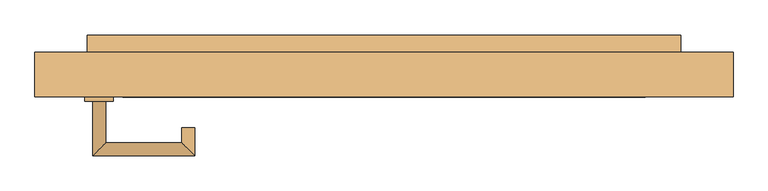
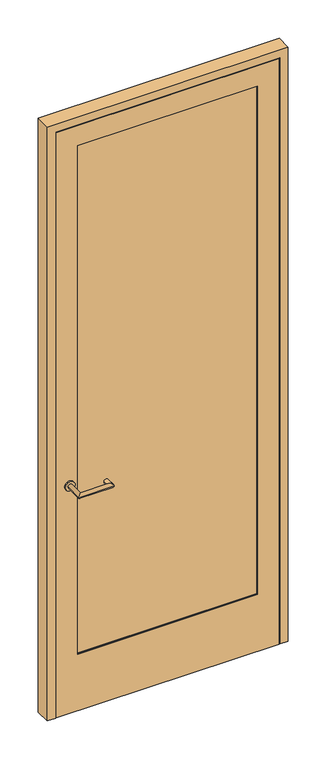
"""IFC4 building model written with IfcOpenShell, lengths in millimetres: door geometry."""

from ifc_helpers import new_model, si_unit, point, frame, frame_2d, origin, place, context, project, spatial, polyline, circle_curve, ellipse_curve, trimmed, segment, composite_curve, outline, extrude, faceted_brep, source, transform, mapped, element, save
from ifc_brep_helpers import plane_surface, cylinder_surface, advanced_brep


def door_918afbd8(model_context):
    return source(origin(), model_context, "Body", "SolidModel", [
        extrude(outline(polyline([(2617.7875, 471.4875), (2617.7875, -471.4875), (0.0, -471.4875), (0.0, 471.4875), (2617.7875, 471.4875)]), holes=[polyline([(254.0, 381.0), (254.0, -381.0), (2527.3, -381.0), (2527.3, 381.0), (254.0, 381.0)])]), frame((0.0, -19.05, 0.0), z_axis=(0.0, 1.0, 0.0), x_axis=(0.0, 0.0, 1.0)), (0.0, 0.0, 1.0), 2.4553029),
        faceted_brep([(450.85, 42.6733196, 2597.15), (450.85, 42.6733196, 0.0), (433.3875, 42.6733196, 0.0), (433.3875, 42.6733196, 2579.6875), (-433.3875, 42.6733196, 2579.6875), (-433.3875, 42.6733196, 0.0), (-450.85, 42.6733196, 0.0), (-450.85, 42.6733196, 2597.15), (450.85, -16.5946971, 2597.15), (-450.85, -16.5946971, 2597.15), (-450.85, -16.5946971, 0.0), (450.85, -16.5946971, 0.0), (381.0, -16.5946971, 2527.3), (381.0, -16.5946971, 254.0), (-381.0, -16.5946971, 254.0), (-381.0, -16.5946971, 2527.3), (-381.0, 46.0375, 254.0), (-381.0, 46.0375, 2527.3), (381.0, 46.0375, 2527.3), (381.0, 46.0375, 254.0), (-433.3875, 46.0375, 0.0), (433.3875, 46.0375, 0.0), (-433.3875, 46.0375, 2579.6875), (433.3875, 46.0375, 2579.6875)], [[[0, 1, 2, 3, 4, 5, 6, 7]], [[8, 9, 10, 11], [12, 13, 14, 15]], [[7, 9, 8, 0]], [[6, 10, 9, 7]], [[14, 16, 17, 15]], [[17, 18, 12, 15]], [[18, 19, 13, 12]], [[10, 6, 5, 20, 21, 2, 1, 11]], [[0, 8, 11, 1]], [[21, 20, 22, 23], [19, 18, 17, 16]], [[23, 3, 2, 21]], [[22, 4, 3, 23]], [[19, 16, 14, 13]], [[20, 5, 4, 22]]]),
        extrude(outline(polyline([(381.0, 36.5125), (381.0, -12.7), (-381.0, -12.7), (-381.0, 36.5125), (381.0, 36.5125)])), frame((0.0, 0.0, 254.0), z_axis=(0.0, 0.0, 1.0), x_axis=(1.0, 0.0, 0.0)), (0.0, 0.0, 1.0), 2273.3),
        advanced_brep(
        [(-406.4, -25.4, 1020.7625), (-425.45, -25.4, 1020.7625), (-406.4, -85.725, 1020.7625), (-425.45, -104.775, 1020.7625), (-295.275, -85.725, 1020.7625), (-276.225, -104.775, 1020.7625), (-295.275, -63.5, 1020.7625), (-276.225, -63.5, 1020.7625)],
        [
            (0, 1, circle_curve(frame((-415.925, -25.4, 1020.7625), z_axis=(0.0, 1.0, 0.0), x_axis=(-1.0000000000000004, 0.0, 0.0)), 9.525)),
            (1, 0, circle_curve(frame((-415.925, -25.4, 1020.7625), z_axis=(0.0, 1.0, 0.0), x_axis=(-1.0000000000000004, 0.0, 0.0)), 9.525)),
            (0, 2),
            (2, 3, ellipse_curve(frame((-415.925, -95.25, 1020.7625), z_axis=(-0.7071067811865588, 0.7071067811865362, 0.0), x_axis=(0.7071067811865362, 0.7071067811865588, 0.0)), 13.4703842, 9.525)),
            (3, 1),
            (3, 2, ellipse_curve(frame((-415.925, -95.25, 1020.7625), z_axis=(-0.7071067811865588, 0.7071067811865362, 0.0), x_axis=(0.7071067811865362, 0.7071067811865588, 0.0)), 13.4703842, 9.525)),
            (2, 4),
            (4, 5, ellipse_curve(frame((-285.75, -95.25, 1020.7625), z_axis=(-0.707106781186536, -0.707106781186559, 0.0), x_axis=(-0.707106781186559, 0.7071067811865359, 0.0)), 13.4703842, 9.525)),
            (5, 3),
            (5, 4, ellipse_curve(frame((-285.75, -95.25, 1020.7625), z_axis=(-0.707106781186536, -0.707106781186559, 0.0), x_axis=(-0.707106781186559, 0.7071067811865359, 0.0)), 13.4703842, 9.525)),
            (6, 7, circle_curve(frame((-285.75, -63.5, 1020.7625), z_axis=(0.0, 1.0, 0.0), x_axis=(1.0000000000000004, 0.0, 0.0)), 9.525)),
            (7, 6, circle_curve(frame((-285.75, -63.5, 1020.7625), z_axis=(0.0, 1.0, 0.0), x_axis=(1.0000000000000004, 0.0, 0.0)), 9.525)),
            (4, 6),
            (7, 5),
        ],
        [
            plane_surface(frame((-415.925, -25.4, 0.0), z_axis=(0.0, 1.0, 0.0), x_axis=(0.0, 0.0, 1.0))),
            cylinder_surface(frame((-415.925, -25.4, 1020.7625), z_axis=(0.0, 1.0000000000000004, 0.0), x_axis=(-1.0000000000000004, 0.0, 0.0)), 9.525),
            cylinder_surface(frame((-415.925, -95.25, 1020.7625), z_axis=(-1.0000000000000004, 0.0, 0.0), x_axis=(0.0, -1.0000000000000004, 0.0)), 9.525),
            plane_surface(frame((-285.75, -63.5, 0.0), z_axis=(0.0, 1.0, 0.0), x_axis=(0.0, 0.0, 1.0))),
            cylinder_surface(frame((-285.75, -95.25, 1020.7625), z_axis=(0.0, -1.0000000000000004, 0.0), x_axis=(1.0000000000000004, 0.0, 0.0)), 9.525),
        ],
        [
            (0, [[1, 2]]),
            (1, [[3, 4, 5, -1]]),
            (1, [[-5, 6, -3, -2]]),
            (2, [[7, 8, 9, -4]]),
            (2, [[-9, 10, -7, -6]]),
            (3, [[11, 12]]),
            (4, [[13, -12, 14, -8]]),
            (4, [[-14, -11, -13, -10]]),
        ],
    ),
        extrude(outline(polyline([(433.3875, 71.4375), (433.3875, 46.0375), (-433.3875, 46.0375), (-433.3875, 71.4375), (433.3875, 71.4375)])), frame((0.0, 0.0, 986.63125), z_axis=(0.0, 0.0, 1.0), x_axis=(1.0, 0.0, 0.0)), (0.0, 0.0, 1.0), 68.2625),
        extrude(outline(composite_curve([segment(trimmed(circle_curve(frame_2d((1020.7625, -415.925)), 20.6375), [point((1020.7625, -395.2875))], [point((1020.7625, -436.5625))], False, "CARTESIAN"), True, "CONTINUOUS"), segment(trimmed(circle_curve(frame_2d((1020.7625, -415.925)), 20.6375), [point((1020.7625, -436.5625))], [point((1020.7625, -395.2875))], False, "CARTESIAN"), True, "CONTINUOUS")], self_intersect=False)), frame((0.0, -25.4, 0.0), z_axis=(0.0, 1.0, 0.0), x_axis=(0.0, 0.0, 1.0)), (0.0, 0.0, 1.0), 6.35),
        faceted_brep([(509.5875, -19.05, 0.0), (474.6625, -19.05, 0.0), (474.6625, -12.7, 0.0), (460.375, -12.7, 0.0), (460.375, 42.8625, 0.0), (439.7375, 42.8625, 0.0), (439.7375, 46.0375, 0.0), (509.5875, 46.0375, 0.0), (509.5875, 46.0375, 2655.8875), (509.5875, -19.05, 2655.8875), (439.7375, 46.0375, 2586.0375), (-439.7375, 46.0375, 2586.0375), (-439.7375, 46.0375, 0.0), (-509.5875, 46.0375, 0.0), (-509.5875, 46.0375, 2655.8875), (439.7375, 42.8625, 2586.0375), (460.375, 42.8625, 2606.675), (-460.375, 42.8625, 2606.675), (-460.375, 42.8625, 0.0), (-439.7375, 42.8625, 0.0), (-439.7375, 42.8625, 2586.0375), (460.375, -12.7, 2606.675), (474.6625, -12.7, 2620.9625), (-474.6625, -12.7, 2620.9625), (-474.6625, -12.7, 0.0), (-460.375, -12.7, 0.0), (-460.375, -12.7, 2606.675), (474.6625, -19.05, 2620.9625), (-509.5875, -19.05, 2655.8875), (-509.5875, -19.05, 0.0), (-474.6625, -19.05, 0.0), (-474.6625, -19.05, 2620.9625)], [[[0, 1, 2, 3, 4, 5, 6, 7]], [[7, 8, 9, 0]], [[6, 10, 11, 12, 13, 14, 8, 7]], [[5, 15, 10, 6]], [[4, 16, 17, 18, 19, 20, 15, 5]], [[3, 21, 16, 4]], [[2, 22, 23, 24, 25, 26, 21, 3]], [[1, 27, 22, 2]], [[0, 9, 28, 29, 30, 31, 27, 1]], [[14, 13, 29, 28]], [[29, 13, 12, 19, 18, 25, 24, 30]], [[20, 19, 12, 11]], [[26, 25, 18, 17]], [[31, 30, 24, 23]], [[8, 14, 28, 9]], [[15, 20, 11, 10]], [[27, 31, 23, 22]], [[21, 26, 17, 16]]]),
    ])


if __name__ == "__main__":
    model = new_model("IFC4")
    model_context = context("Model", 3, world=origin())
    ifc_project = project(units=[si_unit("LENGTHUNIT", "METRE", prefix="MILLI")], contexts=[model_context])
    site = spatial("IfcSite", under=ifc_project)
    building = spatial("IfcBuilding", under=site)
    placement = place(None, origin())
    door_shape = door_918afbd8(model_context)
    element("IfcDoor", 1, at=placement, inside=building, context=model_context, shape_type="MappedRepresentation", body=[
        mapped(door_shape, transform((0.0, 0.0, 0.0), x_axis=(1.0, 0.0, 0.0), y_axis=(0.0, 1.0, 0.0), z_axis=(0.0, 0.0, 1.0))),
    ])
    save(model, "model.ifc")
